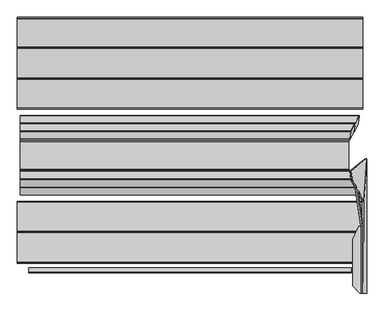
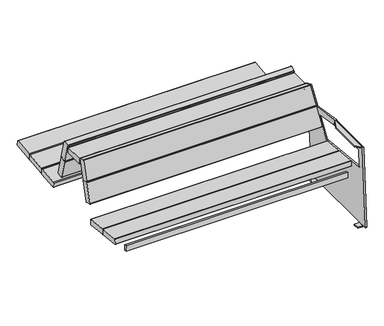
"""IFC4 building model written with IfcOpenShell, lengths in millimetres: furniture geometry."""

from ifc_helpers import new_model, si_unit, point, frame, frame_2d, origin, place, context, project, spatial, polyline, circle_curve, ellipse_curve, trimmed, segment, composite_curve, outline, extrude, source, transform, mapped, element, save
from ifc_brep_helpers import plane_surface, cylinder_surface, revolved_surface, advanced_brep


def furniture_0fb403a6(model_context):
    return source(origin(), model_context, "Body", "SolidModel", [
        advanced_brep(
        [(821.0571971, 511.3265729, 642.5895369), (821.0571971, 514.1240904, 647.506209), (821.0571971, 509.9605815, 662.6625128), (821.0571971, 489.665146, 636.6388712), (-849.4957131, 475.6484569, 632.7883109), (-849.4957131, 470.7317492, 635.5858488), (-849.4957131, 432.4980687, 774.7668691), (-849.4957131, 435.295586, 779.6835409), (-849.4957131, 470.9736937, 789.4847667), (-849.4957131, 475.8904015, 786.687229), (-849.4957131, 514.1240904, 647.506209), (-849.4957131, 511.3265729, 642.5895369), (819.5114246, 475.6484569, 632.7883109), (818.5151551, 470.7317492, 635.5858488), (797.9147478, 432.4980687, 774.7668691), (797.7692162, 435.295586, 779.6835409), (801.7038282, 470.9736937, 789.4847667), (802.7000978, 475.8904015, 786.687229)],
        [
            (0, 1, circle_curve(frame((821.0571971, 510.2669778, 646.4466418), z_axis=(1.0, 0.0, 0.0), x_axis=(0.0, 1.0, 0.0)), 4.0)),
            (1, 2),
            (2, 3),
            (3, 0),
            (4, 5, circle_curve(frame((-849.4957131, 474.5888618, 636.6454158), z_axis=(-1.0, 0.0, 0.0), x_axis=(0.0, 1.0, 0.0)), 4.0)),
            (5, 6),
            (6, 7, circle_curve(frame((-849.4957131, 436.3551813, 775.8264361), z_axis=(-1.0, 0.0, 0.0), x_axis=(0.0, 1.0, 0.0)), 4.0)),
            (7, 8),
            (8, 9, circle_curve(frame((-849.4957131, 472.033289, 785.6276619), z_axis=(-1.0, 0.0, 0.0), x_axis=(0.0, 1.0, 0.0)), 4.0)),
            (9, 10),
            (10, 11, circle_curve(frame((-849.4957131, 510.2669778, 646.4466418), z_axis=(-1.0, 0.0, 0.0), x_axis=(0.0, 1.0, 0.0)), 4.0)),
            (11, 4),
            (4, 12),
            (12, 13, ellipse_curve(frame((818.9405241, 474.5888618, 636.6454158), z_axis=(-0.9845272064646966, 0.1381784067166237, -0.10776320173452672), x_axis=(0.17523178858534885, 0.7763454442639485, -0.6054598016712524)), 4.0628639, 4.0)),
            (13, 5),
            (13, 14),
            (14, 6),
            (14, 15, ellipse_curve(frame((798.3401168, 436.3551813, 775.8264361), z_axis=(-0.9845272064646966, 0.1381784067166237, -0.10776320173452672), x_axis=(0.17523178858534885, 0.7763454442639485, -0.6054598016712524)), 4.0628639, 4.0)),
            (15, 7),
            (15, 16),
            (16, 8),
            (16, 17, ellipse_curve(frame((802.2747288, 472.033289, 785.6276619), z_axis=(-0.9845272064646966, 0.1381784067166237, -0.10776320173452672), x_axis=(0.17523178858534885, 0.7763454442639485, -0.6054598016712524)), 4.0628639, 4.0)),
            (17, 9),
            (17, 2),
            (1, 10),
            (0, 11),
            (3, 12),
        ],
        [
            plane_surface(frame((821.0571971, 511.3265975, 642.5895436), z_axis=(1.0, 0.0, 0.0), x_axis=(0.0, 0.9642762254474659, 0.2648987750760428))),
            plane_surface(frame((-849.4957131, 511.3265975, 642.5895436), z_axis=(-1.0, 0.0, 0.0), x_axis=(0.0, -0.9642762254474659, -0.2648987750760428))),
            cylinder_surface(frame((-849.4957131, 474.5888618, 636.6454158), z_axis=(1.0, 0.0, 0.0), x_axis=(0.0, 1.0, 0.0)), 4.0),
            plane_surface(frame((821.0571971, 432.4980687, 774.7668691), z_axis=(0.0, -0.9642781573688651, -0.2648917424558689), x_axis=(-1.0, 0.0, 0.0))),
            cylinder_surface(frame((-849.4957131, 436.3551813, 775.8264361), z_axis=(1.0, 0.0, 0.0), x_axis=(0.0, 1.0, 0.0)), 4.0),
            plane_surface(frame((821.0571971, 470.9736937, 789.4847667), z_axis=(0.0, -0.2648988265500041, 0.9642762113069215), x_axis=(-1.0, 0.0, 0.0))),
            cylinder_surface(frame((-849.4957131, 472.033289, 785.6276619), z_axis=(1.0, 0.0, 0.0), x_axis=(0.0, 1.0, 0.0)), 4.0),
            plane_surface(frame((821.0571971, 514.1240904, 647.506209), z_axis=(0.0, 0.9642781425237718, 0.2648917964960497), x_axis=(-1.0, 0.0, 0.0))),
            cylinder_surface(frame((-849.4957131, 510.2669778, 646.4466418), z_axis=(1.0, 0.0, 0.0), x_axis=(0.0, 1.0, 0.0)), 4.0),
            plane_surface(frame((821.0571971, 475.6484569, 632.7883109), z_axis=(0.0, 0.2648987750760428, -0.9642762254474659), x_axis=(-1.0, 0.0, 0.0))),
            plane_surface(frame((792.9247328, 409.2460037, 790.5410131), z_axis=(0.9845272064646966, -0.1381784067166237, 0.10776320173452672), x_axis=(0.10213209083076619, 0.95220597361255, 0.28787639680792154))),
        ],
        [
            (0, [[1, 2, 3, 4]]),
            (1, [[5, 6, 7, 8, 9, 10, 11, 12]]),
            (2, [[-5, 13, 14, 15]]),
            (3, [[-6, -15, 16, 17]]),
            (4, [[-7, -17, 18, 19]]),
            (5, [[-8, -19, 20, 21]]),
            (6, [[-9, -21, 22, 23]]),
            (7, [[-10, -23, 24, -2, 25]]),
            (8, [[-1, 26, -11, -25]]),
            (9, [[-12, -26, -4, 27, -13]]),
            (10, [[-3, -24, -22, -20, -18, -16, -14, -27]]),
        ],
    ),
        advanced_brep(
        [(-849.4957131, 515.8225178, 486.5435624), (-849.4957131, 510.90581, 489.3411004), (-849.4957131, 472.8508286, 627.8716075), (-849.4957131, 475.6483459, 632.7882793), (-849.4957131, 511.3264532, 642.589505), (-849.4957131, 516.2431611, 639.7919674), (-849.4957131, 554.2981509, 501.2614604), (-849.4957131, 551.5006334, 496.3447884), (841.1573374, 515.8225178, 486.5435624), (840.1610678, 510.90581, 489.3411004), (819.6569441, 472.8508286, 627.8716075), (819.5114125, 475.6483459, 632.7882793), (823.4460245, 511.3264532, 642.589505), (824.442294, 516.2431611, 639.7919674), (844.946419, 554.2981509, 501.2614604), (845.0919506, 551.5006334, 496.3447884)],
        [
            (0, 1, circle_curve(frame((-849.4957131, 514.7629227, 490.4006673), z_axis=(-1.0, 0.0, 0.0), x_axis=(0.0, 1.0, 0.0)), 4.0)),
            (1, 2),
            (2, 3, circle_curve(frame((-849.4957131, 476.7079412, 628.9311745), z_axis=(-1.0, 0.0, 0.0), x_axis=(0.0, 1.0, 0.0)), 4.0)),
            (3, 4),
            (4, 5, circle_curve(frame((-849.4957131, 512.3860486, 638.7324002), z_axis=(-1.0, 0.0, 0.0), x_axis=(0.0, 1.0, 0.0)), 4.0)),
            (5, 6),
            (6, 7, circle_curve(frame((-849.4957131, 550.4410383, 500.2018933), z_axis=(-1.0, 0.0, 0.0), x_axis=(0.0, 1.0, 0.0)), 4.0)),
            (7, 0),
            (0, 8),
            (8, 9, ellipse_curve(frame((840.5864368, 514.7629227, 490.4006673), z_axis=(-0.9845272064646966, 0.1381784067166237, -0.10776320173452672), x_axis=(0.17523178858534885, 0.7763454442639485, -0.6054598016712524)), 4.0628639, 4.0)),
            (9, 1),
            (9, 10),
            (10, 2),
            (10, 11, ellipse_curve(frame((820.0823131, 476.7079412, 628.9311745), z_axis=(-0.9845272064646966, 0.1381784067166237, -0.10776320173452672), x_axis=(0.17523178858534885, 0.7763454442639485, -0.6054598016712524)), 4.0628639, 4.0)),
            (11, 3),
            (11, 12),
            (12, 4),
            (12, 13, ellipse_curve(frame((824.0169251, 512.3860486, 638.7324002), z_axis=(-0.9845272064646966, 0.1381784067166237, -0.10776320173452672), x_axis=(0.17523178858534885, 0.7763454442639485, -0.6054598016712524)), 4.0628639, 4.0)),
            (13, 5),
            (13, 14),
            (14, 6),
            (14, 15, ellipse_curve(frame((844.52105, 550.4410383, 500.2018933), z_axis=(-0.9845272064646966, 0.1381784067166237, -0.10776320173452672), x_axis=(0.17523178858534885, 0.7763454442639485, -0.6054598016712524)), 4.0628639, 4.0)),
            (15, 7),
            (15, 8),
        ],
        [
            plane_surface(frame((-849.4957131, 551.5006208, 496.3447849), z_axis=(-1.0, 0.0, 0.0), x_axis=(0.0, -0.964276225447465, -0.26489877507604587))),
            cylinder_surface(frame((-849.4957131, 514.7629227, 490.4006673), z_axis=(1.0, 0.0, 0.0), x_axis=(0.0, 1.0, 0.0)), 4.0),
            plane_surface(frame((845.3239935, 472.8508286, 627.8716075), z_axis=(0.0, -0.9642781573688654, -0.2648917424558683), x_axis=(-1.0, 0.0, 0.0))),
            cylinder_surface(frame((-849.4957131, 476.7079412, 628.9311745), z_axis=(1.0, 0.0, 0.0), x_axis=(0.0, 1.0, 0.0)), 4.0),
            plane_surface(frame((845.3239935, 511.3264532, 642.589505), z_axis=(0.0, -0.2648988265500034, 0.9642762113069218), x_axis=(-1.0, 0.0, 0.0))),
            cylinder_surface(frame((-849.4957131, 512.3860486, 638.7324002), z_axis=(1.0, 0.0, 0.0), x_axis=(0.0, 1.0, 0.0)), 4.0),
            plane_surface(frame((845.3239935, 554.2981509, 501.2614604), z_axis=(0.0, 0.9642781425237719, 0.26489179649604944), x_axis=(-1.0, 0.0, 0.0))),
            cylinder_surface(frame((-849.4957131, 550.4410383, 500.2018933), z_axis=(1.0, 0.0, 0.0), x_axis=(0.0, 1.0, 0.0)), 4.0),
            plane_surface(frame((845.3239935, 515.8225178, 486.5435624), z_axis=(0.0, 0.26489877507604587, -0.964276225447465), x_axis=(-1.0, 0.0, 0.0))),
            plane_surface(frame((792.9247328, 409.2460037, 790.5410131), z_axis=(0.9845272064646966, -0.1381784067166237, 0.10776320173452672), x_axis=(0.10213209083076619, 0.95220597361255, 0.28787639680792154))),
        ],
        [
            (0, [[1, 2, 3, 4, 5, 6, 7, 8]]),
            (1, [[-1, 9, 10, 11]]),
            (2, [[-2, -11, 12, 13]]),
            (3, [[-3, -13, 14, 15]]),
            (4, [[-4, -15, 16, 17]]),
            (5, [[-5, -17, 18, 19]]),
            (6, [[-6, -19, 20, 21]]),
            (7, [[-7, -21, 22, 23]]),
            (8, [[-8, -23, 24, -9]]),
            (9, [[-10, -24, -22, -20, -18, -16, -14, -12]]),
        ],
    ),
        extrude(outline(polyline([(0.0, -19.9999999), (0.0, 0.0), (1612.8148813, 0.0), (1612.8148813, -19.9999999), (0.0, -19.9999999)])), frame((806.271869, 708.9963741, 329.0549245), z_axis=(0.0, -0.10862274800818948, 0.9940830441241564), x_axis=(-1.0, 0.0, 0.0)), (0.0, 0.0, 1.0), 40.0),
        extrude(outline(polyline([(0.0, -20.0), (0.0, 0.0), (1612.8148813, 0.0), (1612.8148813, -20.0), (0.0, -20.0)])), frame((806.271869, 923.2070815, 352.4615763), z_axis=(0.0, -0.10862274800818948, 0.9940830441241564), x_axis=(-1.0, 0.0, 0.0)), (0.0, 0.0, 1.0), 40.0),
        extrude(outline(composite_curve([segment(trimmed(circle_curve(frame_2d((591.158367, 402.3317688)), 4.0), [point((587.181957, 401.8979912))], [point((590.7245263, 406.308172))], False, "CARTESIAN"), True, "CONTINUOUS"), segment(polyline([(590.7245263, 406.308172), (733.6827839, 421.9054614)]), True, "CONTINUOUS"), segment(trimmed(circle_curve(frame_2d((734.1166246, 417.9290582)), 4.0), [point((733.6827839, 421.9054614))], [point((738.0930346, 418.3628359))], False, "CARTESIAN"), True, "CONTINUOUS"), segment(polyline([(738.0930346, 418.3628359), (741.6815989, 385.4667103)]), True, "CONTINUOUS"), segment(trimmed(circle_curve(frame_2d((737.7051889, 385.0329326)), 4.0), [point((741.6815989, 385.4667103))], [point((738.1389665, 381.0565226))], False, "CARTESIAN"), True, "CONTINUOUS"), segment(polyline([(738.1389665, 381.0565226), (595.1804616, 365.461501)]), True, "CONTINUOUS"), segment(trimmed(circle_curve(frame_2d((594.7466839, 369.4379111)), 4.0), [point((595.1804616, 365.461501))], [point((590.7702739, 369.0041334))], False, "CARTESIAN"), True, "CONTINUOUS"), segment(polyline([(590.7702739, 369.0041334), (587.181957, 401.8979912)]), True, "CONTINUOUS")], self_intersect=False)), frame((-862.974681, 0.0, 0.0), z_axis=(1.0, 0.0, 0.0), x_axis=(0.0, 1.0, 0.0)), (0.0, 0.0, 1.0), 1726.4316686),
        extrude(outline(composite_curve([segment(trimmed(circle_curve(frame_2d((742.0694309, 418.7967396)), 4.0), [point((738.0930209, 418.362962))], [point((741.6355902, 422.7731428))], False, "CARTESIAN"), True, "CONTINUOUS"), segment(polyline([(741.6355902, 422.7731428), (888.3456792, 438.7797713)]), True, "CONTINUOUS"), segment(trimmed(circle_curve(frame_2d((888.7795199, 434.8033681)), 4.0), [point((888.3456792, 438.7797713))], [point((892.7559299, 435.2371458))], False, "CARTESIAN"), True, "CONTINUOUS"), segment(polyline([(892.7559299, 435.2371458), (896.3447545, 402.3386345)]), True, "CONTINUOUS"), segment(trimmed(circle_curve(frame_2d((892.3683444, 401.9048569)), 4.0), [point((896.3447545, 402.3386345))], [point((892.8021221, 397.9284468))], False, "CARTESIAN"), True, "CONTINUOUS"), segment(polyline([(892.8021221, 397.9284468), (746.0917792, 381.9241457)]), True, "CONTINUOUS"), segment(trimmed(circle_curve(frame_2d((745.6580016, 385.9005557)), 4.0), [point((746.0917792, 381.9241457))], [point((741.6815915, 385.4667781))], False, "CARTESIAN"), True, "CONTINUOUS"), segment(polyline([(741.6815915, 385.4667781), (738.0930209, 418.362962)]), True, "CONTINUOUS")], self_intersect=False)), frame((-862.974681, 0.0, 0.0), z_axis=(1.0, 0.0, 0.0), x_axis=(0.0, 1.0, 0.0)), (0.0, 0.0, 1.0), 1726.4316686),
        extrude(outline(composite_curve([segment(trimmed(circle_curve(frame_2d((896.7323262, 435.6710496)), 4.0), [point((892.7559162, 435.2372719))], [point((896.2984855, 439.6474527))], False, "CARTESIAN"), True, "CONTINUOUS"), segment(polyline([(896.2984855, 439.6474527), (1036.8835263, 454.9858152)]), True, "CONTINUOUS"), segment(trimmed(circle_curve(frame_2d((1037.317367, 451.009412)), 4.0), [point((1036.8835263, 454.9858152))], [point((1041.2937771, 451.4431896))], False, "CARTESIAN"), True, "CONTINUOUS"), segment(polyline([(1041.2937771, 451.4431896), (1044.8828472, 418.542427)]), True, "CONTINUOUS"), segment(trimmed(circle_curve(frame_2d((1040.9064372, 418.1086494)), 4.0), [point((1044.8828472, 418.542427))], [point((1041.3402148, 414.1322393))], False, "CARTESIAN"), True, "CONTINUOUS"), segment(polyline([(1041.3402148, 414.1322393), (900.7549307, 398.7961071)]), True, "CONTINUOUS"), segment(trimmed(circle_curve(frame_2d((900.3211531, 402.7725171)), 4.0), [point((900.7549307, 398.7961071))], [point((896.344743, 402.3387395))], False, "CARTESIAN"), True, "CONTINUOUS"), segment(polyline([(896.344743, 402.3387395), (892.7559162, 435.2372719)]), True, "CONTINUOUS")], self_intersect=False)), frame((-862.974681, 0.0, 0.0), z_axis=(1.0, 0.0, 0.0), x_axis=(0.0, 1.0, 0.0)), (0.0, 0.0, 1.0), 1726.4316686),
        advanced_brep(
        [(859.6494877, -336.3224978, 634.6042367), (853.6895812, -336.3224978, 640.3596516), (851.4436279, -336.3224978, 640.3596516), (846.5946295, -336.3224978, 640.3596516), (846.5946295, -336.3224978, 632.2382321), (850.2766357, -336.3224978, 632.2382321), (851.7778593, -336.3224978, 630.7885173), (873.3168867, -336.3224978, 13.9914716), (881.3120133, -336.3224978, 14.2706676), (851.7778593, 0.0, 630.7885173), (850.2766357, 0.0, 632.2382321), (842.6377771, 0.0, 632.2382321), (842.6377771, 0.0, 640.3596516), (851.4436279, 0.0, 640.3596516), (853.6895812, 0.0, 640.3596516), (859.6494877, 0.0, 634.6042367), (859.8164077, 0.0, 629.8242748), (851.8212811, 0.0, 629.5450788), (812.6404131, -298.6125202, 632.2382321), (812.6404131, -64.9029098, 632.2382321), (812.6404131, -298.6125202, 640.3596516), (812.6404131, -64.9029098, 640.3596516), (881.4516113, -332.3224978, 10.2731042), (881.4516113, -303.3438949, 10.2731042), (881.4516113, -263.3438949, 10.2731042), (881.4516113, 263.3438949, 10.2731042), (881.4516113, 303.3438949, 10.2731042), (881.4516113, 333.3438949, 10.2731042), (881.4138659, 336.0793859, 11.3539925), (867.5075955, 124.5938136, 409.5774734), (865.9556261, -281.1025506, 454.0200604), (865.8167736, -284.6669706, 457.9962761), (861.3419594, -284.6668873, 586.1381898), (861.2022765, -280.671368, 590.1381847), (861.1901816, 28.5190326, 590.4845362), (859.8164077, 7.626776, 629.8242748), (851.8212811, 7.626776, 629.5450788), (853.1853111, 28.3708474, 590.4843702), (853.1974001, -280.671368, 590.1381847), (853.337083, -284.6668873, 586.1381898), (857.8118973, -284.6669706, 457.9962761), (857.9507498, -281.1025506, 454.0200604), (859.5021169, 124.4363813, 409.5947195), (873.4187392, 336.0793859, 11.0747965), (873.4564847, 333.3438949, 9.9939083), (873.4564847, 303.3438949, 9.9939083), (873.4886988, 303.3438949, 9.0714168), (873.4886988, 263.3438949, 9.0714168), (873.4564847, 263.3438949, 9.9939083), (873.4564847, -263.3438949, 9.9939083), (873.4886988, -263.3438949, 9.0714168), (873.4886988, -303.3438949, 9.0714168), (873.4564847, -303.3438949, 9.9939083), (873.4564847, -332.3224978, 9.9939083), (872.4540437, -303.3438949, 8.0), (835.810356, -303.3438949, 8.0), (835.810356, -303.3438949, 0.0), (873.5140122, -303.3438949, 0.0), (881.4516113, -303.3438949, 8.2703475), (872.4540437, -263.3438949, 8.0), (881.4516113, -263.3438949, 8.2703475), (873.5140122, -263.3438949, 0.0), (835.810356, -263.3438949, 0.0), (835.810356, -263.3438949, 8.0), (872.4540437, 303.3438949, 8.0), (881.4516113, 303.3438949, 8.2703475), (873.5140122, 303.3438949, 0.0), (835.810356, 303.3438949, 0.0), (835.810356, 303.3438949, 8.0), (872.4540437, 263.3438949, 8.0), (835.810356, 263.3438949, 8.0), (835.810356, 263.3438949, 0.0), (873.5140122, 263.3438949, 0.0), (881.4516113, 263.3438949, 8.2703475)],
        [
            (0, 1, circle_curve(frame((853.6895812, -336.3224978, 634.3961122), z_axis=(0.0, -1.0, 0.0), x_axis=(-1.0, 0.0, 0.0)), 5.9635394)),
            (1, 2),
            (2, 3),
            (3, 4),
            (4, 5),
            (5, 6, circle_curve(frame((850.2766357, -336.3224978, 630.7360934), z_axis=(0.0, 1.0, 0.0), x_axis=(-1.0, 0.0, 0.0)), 1.5021387)),
            (6, 7),
            (7, 8),
            (8, 0),
            (9, 10, circle_curve(frame((850.2766357, 0.0, 630.7360934), z_axis=(0.0, -1.0, 0.0), x_axis=(-1.0, 0.0, 0.0)), 1.5021387)),
            (10, 11),
            (11, 12),
            (12, 13),
            (13, 14),
            (14, 15, circle_curve(frame((853.6895812, 0.0, 634.3961122), z_axis=(0.0, 1.0, 0.0), x_axis=(-1.0, 0.0, 0.0)), 5.9635394)),
            (15, 16),
            (16, 17),
            (17, 9),
            (10, 5),
            (4, 18),
            (18, 19),
            (19, 11),
            (18, 20),
            (20, 21),
            (21, 19),
            (2, 13),
            (12, 21),
            (20, 3),
            (1, 14),
            (15, 0),
            (8, 22, circle_curve(frame((881.3120133, -332.3224978, 14.2706676), z_axis=(0.9993908270190959, 0.0, 0.0348994967025008), x_axis=(0.0348994967025008, 0.0, -0.9993908270190959)), 4.0)),
            (22, 23),
            (23, 24),
            (24, 25),
            (25, 26),
            (26, 27),
            (27, 28, circle_curve(frame((881.3120088, 333.3438949, 14.2707962), z_axis=(0.9993908270190959, 0.0, 0.0348994967025008), x_axis=(0.0348994967025008, 0.0, -0.9993908270190959)), 4.0001287)),
            (28, 29),
            (29, 30),
            (30, 31, ellipse_curve(frame((865.8167737, -280.6669706, 457.9962735), z_axis=(-0.9993908270190961, 0.0, -0.03489949670249125), x_axis=(-0.03489949670248915, 0.0, 0.9993908270190963)), 4.0024382, 4.0)),
            (31, 32),
            (32, 33, ellipse_curve(frame((861.3419595, -280.6668873, 586.1381872), z_axis=(-0.9993908270190961, 0.0, -0.03489949670249125), x_axis=(-0.03489949670248915, 0.0, 0.9993908270190963)), 4.0024382, 4.0)),
            (33, 34),
            (34, 35),
            (35, 16),
            (6, 9),
            (17, 36),
            (36, 37),
            (37, 38),
            (38, 39, ellipse_curve(frame((853.3370831, -280.6668873, 586.1381872), z_axis=(0.9993908270190955, 0.0, 0.03489949670250719), x_axis=(-0.03489949670250501, 0.0, 0.9993908270190955)), 4.0024382, 4.0)),
            (39, 40),
            (40, 41, ellipse_curve(frame((857.8118974, -280.6669706, 457.9962735), z_axis=(0.9993908270190955, 0.0, 0.03489949670250719), x_axis=(-0.03489949670250501, 0.0, 0.9993908270190955)), 4.0024382, 4.0)),
            (41, 42),
            (42, 43),
            (43, 44, circle_curve(frame((873.3168822, 333.3438949, 13.9916002), z_axis=(-0.9993908270190959, 0.0, -0.0348994967025008), x_axis=(0.0348994967025008, 0.0, -0.9993908270190959)), 4.0001287)),
            (44, 45),
            (45, 46),
            (46, 47),
            (47, 48),
            (48, 49),
            (49, 50),
            (50, 51),
            (51, 52),
            (52, 53),
            (53, 7, circle_curve(frame((873.3168867, -332.3224978, 13.9914716), z_axis=(-0.9993908270190959, 0.0, -0.0348994967025008), x_axis=(0.0348994967025008, 0.0, -0.9993908270190959)), 4.0)),
            (28, 43),
            (42, 29),
            (36, 35),
            (34, 37),
            (27, 44),
            (26, 45),
            (22, 53),
            (52, 23),
            (24, 49),
            (48, 25),
            (54, 55),
            (55, 56),
            (56, 57),
            (57, 58, circle_curve(frame((873.1742893, -303.3438949, 8.2703475), z_axis=(0.0, -1.0, 0.0), x_axis=(-1.0, 0.0, 0.0)), 8.277322)),
            (58, 23),
            (51, 54, circle_curve(frame((872.4540437, -303.3438949, 9.0352858), z_axis=(0.0, 1.0, 0.0), x_axis=(-1.0, 0.0, 0.0)), 1.0352858)),
            (59, 50, circle_curve(frame((872.4540437, -263.3438949, 9.0352858), z_axis=(0.0, -1.0, 0.0), x_axis=(-1.0, 0.0, 0.0)), 1.0352858)),
            (24, 60),
            (60, 61, circle_curve(frame((873.1742893, -263.3438949, 8.2703475), z_axis=(0.0, 1.0, 0.0), x_axis=(-1.0, 0.0, 0.0)), 8.277322)),
            (61, 62),
            (62, 63),
            (63, 59),
            (59, 54),
            (56, 62),
            (61, 57),
            (55, 63),
            (58, 60),
            (64, 46, circle_curve(frame((872.4540437, 303.3438949, 9.0352858), z_axis=(0.0, -1.0, 0.0), x_axis=(-1.0, 0.0, 0.0)), 1.0352858)),
            (26, 65),
            (65, 66, circle_curve(frame((873.1742893, 303.3438949, 8.2703475), z_axis=(0.0, 1.0, 0.0), x_axis=(-1.0, 0.0, 0.0)), 8.277322)),
            (66, 67),
            (67, 68),
            (68, 64),
            (69, 70),
            (70, 71),
            (71, 72),
            (72, 73, circle_curve(frame((873.1742893, 263.3438949, 8.2703475), z_axis=(0.0, -1.0, 0.0), x_axis=(-1.0, 0.0, 0.0)), 8.277322)),
            (73, 25),
            (47, 69, circle_curve(frame((872.4540437, 263.3438949, 9.0352858), z_axis=(0.0, 1.0, 0.0), x_axis=(-1.0, 0.0, 0.0)), 1.0352858)),
            (64, 69),
            (66, 72),
            (71, 67),
            (70, 68),
            (73, 65),
            (33, 38),
            (32, 39),
            (31, 40),
            (30, 41),
        ],
        [
            plane_surface(frame((847.7260418, -336.3224978, 634.3961122), z_axis=(0.0, -1.0, 0.0), x_axis=(0.0, 0.0, -1.0))),
            plane_surface(frame((847.7260418, 0.0, 634.3961122), z_axis=(0.0, 1.0, 0.0), x_axis=(0.0, 0.0, 1.0))),
            plane_surface(frame((812.6404131, -336.3224978, 632.2382321), z_axis=(0.0, 0.0, -1.0), x_axis=(0.0, 1.0, 0.0))),
            plane_surface(frame((812.6404131, -336.3224978, 640.3596516), z_axis=(-1.0, 0.0, 0.0), x_axis=(0.0, 1.0, 0.0))),
            plane_surface(frame((851.4436279, -336.3224978, 640.3596516), z_axis=(0.0, 0.0, 1.0), x_axis=(0.0, 1.0, 0.0))),
            plane_surface(frame((853.6895812, -336.3224978, 640.3596516), z_axis=(0.0, 0.0, 1.0), x_axis=(0.0, 1.0, 0.0))),
            plane_surface(frame((859.8862566, -336.3224978, 627.8240627), z_axis=(0.9993908270190961, 0.0, 0.03489949670249125), x_axis=(0.0, 1.0, 0.0))),
            cylinder_surface(frame((853.6895812, 0.0, 634.3961122), z_axis=(0.0, -1.0, 0.0), x_axis=(-1.0, 0.0, 0.0)), 5.9635394),
            plane_surface(frame((851.7778593, -336.3224978, 630.7885173), z_axis=(-0.9993908270190955, 0.0, -0.03489949670250719), x_axis=(0.0, 1.0, 0.0))),
            revolved_surface(polyline([(848.774497, 0.0, 630.7360934), (848.774497, -336.3224978, 630.7360934)]), (850.2766357, 0.0, 630.7360934), (0.0, 1.0, 0.0)),
            plane_surface(frame((842.6377771, 0.0, 616.5713791), z_axis=(-0.9077348201474655, 0.419544391324504, 0.0), x_axis=(0.0, 0.0, 1.0))),
            plane_surface(frame((812.6352383, -298.6067729, 616.5713791), z_axis=(-0.7431448254773966, -0.6691306063588557, 0.0), x_axis=(0.0, 0.0, 1.0))),
            plane_surface(frame((881.4138659, 336.0793859, 11.3539925), z_axis=(-0.01636123681982897, 0.8832989769010681, 0.46852452159438995), x_axis=(-0.9993908270190958, 0.0, -0.034899496702500754))),
            cylinder_surface(frame((873.3168822, 333.3438949, 13.9916002), z_axis=(0.9993908270190959, 0.0, 0.0348994967025008), x_axis=(0.0348994967025008, 0.0, -0.9993908270190959)), 4.0001287),
            plane_surface(frame((881.4516113, -332.3224978, 10.2731042), z_axis=(0.034899496702500754, 0.0, -0.9993908270190958), x_axis=(-0.9993908270190958, 0.0, -0.034899496702500754))),
            cylinder_surface(frame((873.3168867, -332.3224978, 13.9914716), z_axis=(0.9993908270190959, 0.0, 0.0348994967025008), x_axis=(0.0348994967025008, 0.0, -0.9993908270190959)), 4.0),
            plane_surface(frame((859.8164077, 7.626776, 629.8242748), z_axis=(-0.034899496702506035, 0.0, 0.9993908270190955), x_axis=(-0.9993908270190955, 0.0, -0.034899496702506035))),
            plane_surface(frame((835.810356, -303.3438949, 8.0), z_axis=(0.0, -1.0, 0.0), x_axis=(-1.0, 0.0, 0.0))),
            plane_surface(frame((835.810356, -263.3438949, 8.0), z_axis=(0.0, 1.0, 0.0), x_axis=(1.0, 0.0, 0.0))),
            revolved_surface(polyline([(871.4187579000001, -263.3438949, 9.0352858), (871.4187579000001, -303.3438949, 9.0352858)]), (872.4540437, -263.3438949, 9.0352858), (0.0, 1.0, 0.0)),
            plane_surface(frame((835.810356, -303.3438949, 0.0), z_axis=(0.0, 0.0, -1.0), x_axis=(0.0, 1.0, 0.0))),
            plane_surface(frame((835.810356, -303.3438949, 8.0), z_axis=(-1.0, 0.0, 0.0), x_axis=(0.0, 1.0, 0.0))),
            plane_surface(frame((872.4540437, -303.3438949, 8.0), z_axis=(0.0, 0.0, 1.0), x_axis=(0.0, 1.0, 0.0))),
            plane_surface(frame((881.4516113, -303.3438949, 8.2703475), z_axis=(1.0, 0.0, 0.0), x_axis=(0.0, 1.0, 0.0))),
            cylinder_surface(frame((873.1742893, -263.3438949, 8.2703475), z_axis=(0.0, -1.0, 0.0), x_axis=(-1.0, 0.0, 0.0)), 8.277322),
            plane_surface(frame((871.4187578, 303.3438949, 9.0352858), z_axis=(0.0, 1.0, 0.0), x_axis=(0.0, 0.0, -1.0))),
            plane_surface(frame((871.4187578, 263.3438949, 9.0352858), z_axis=(0.0, -1.0, 0.0), x_axis=(0.0, 0.0, 1.0))),
            revolved_surface(polyline([(871.4187579000001, 263.3438949, 9.0352858), (871.4187579000001, 303.3438949, 9.0352858)]), (872.4540437, 263.3438949, 9.0352858), (0.0, -1.0, 0.0)),
            plane_surface(frame((873.5140122, 303.3438949, 0.0), z_axis=(0.0, 0.0, -1.0), x_axis=(0.0, -1.0, 0.0))),
            plane_surface(frame((835.810356, 303.3438949, 0.0), z_axis=(-1.0, 0.0, 0.0), x_axis=(0.0, -1.0, 0.0))),
            plane_surface(frame((835.810356, 303.3438949, 8.0), z_axis=(0.0, 0.0, 1.0), x_axis=(0.0, -1.0, 0.0))),
            plane_surface(frame((881.4516113, 303.3438949, 10.2731042), z_axis=(1.0, 0.0, 0.0), x_axis=(0.0, -1.0, 0.0))),
            cylinder_surface(frame((873.1742893, 263.3438949, 8.2703475), z_axis=(0.0, 1.0, 0.0), x_axis=(-1.0, 0.0, 0.0)), 8.277322),
            plane_surface(frame((812.6404131, -280.671368, 590.1381847), z_axis=(0.0, 0.0011201877232388624, -0.9999993725895355), x_axis=(1.0, 0.0, 0.0))),
            revolved_surface(polyline([(853.1974000212371, -284.6668873, 586.1381872), (861.4816425787628, -284.6668873, 586.1381872)]), (919.9232064, -280.6668873, 586.1381872), (-1.0, 0.0, 0.0)),
            plane_surface(frame((812.6404131, -284.6669706, 457.9962761), z_axis=(0.0, 0.9999999999997885, -6.504329964730784e-07), x_axis=(1.0, 0.0, 0.0))),
            revolved_surface(polyline([(857.6722143212371, -284.6669706, 457.9962735), (865.9564567787628, -284.6669706, 457.9962735)]), (919.9232064, -280.6669706, 457.9962735), (-1.0, 0.0, 0.0)),
            plane_surface(frame((812.6404131, 124.8590494, 409.5484177), z_axis=(0.0, 0.10889498268372896, 0.994053259511939), x_axis=(1.0, 0.0, 0.0))),
        ],
        [
            (0, [[1, 2, 3, 4, 5, 6, 7, 8, 9]]),
            (1, [[10, 11, 12, 13, 14, 15, 16, 17, 18]]),
            (2, [[19, -5, 20, 21, 22, -11]]),
            (3, [[-21, 23, 24, 25]]),
            (4, [[26, -13, 27, -24, 28, -3]]),
            (5, [[-2, 29, -14, -26]]),
            (6, [[30, -9, 31, 32, 33, 34, 35, 36, 37, 38, 39, 40, 41, 42, 43, 44, 45, -16]]),
            (7, [[-1, -30, -15, -29]]),
            (8, [[46, -18, 47, 48, 49, 50, 51, 52, 53, 54, 55, 56, 57, 58, 59, 60, 61, 62, 63, 64, 65, -7]]),
            (9, [[-6, -19, -10, -46]]),
            (10, [[-12, -22, -25, -27]]),
            (11, [[-4, -28, -23, -20]]),
            (12, [[66, -54, 67, -38]]),
            (12, [[68, -44, 69, -48]]),
            (13, [[-37, 70, -55, -66]]),
            (14, [[-70, -36, 71, -56]]),
            (14, [[72, -64, 73, -32]]),
            (14, [[74, -60, 75, -34]]),
            (15, [[-31, -8, -65, -72]]),
            (16, [[-68, -47, -17, -45]]),
            (17, [[76, 77, 78, 79, 80, -73, -63, 81]]),
            (18, [[82, -61, -74, 83, 84, 85, 86, 87]]),
            (19, [[-81, -62, -82, 88]]),
            (20, [[-78, 89, -85, 90]]),
            (21, [[-77, 91, -86, -89]]),
            (22, [[-76, -88, -87, -91]]),
            (23, [[-80, 92, -83, -33]]),
            (24, [[-79, -90, -84, -92]]),
            (25, [[93, -57, -71, 94, 95, 96, 97, 98]]),
            (26, [[99, 100, 101, 102, 103, -75, -59, 104]]),
            (27, [[-93, 105, -104, -58]]),
            (28, [[-96, 106, -101, 107]]),
            (29, [[-97, -107, -100, 108]]),
            (30, [[-98, -108, -99, -105]]),
            (31, [[-94, -35, -103, 109]]),
            (32, [[-95, -109, -102, -106]]),
            (33, [[110, -49, -69, -43]]),
            (34, [[-110, -42, 111, -50]]),
            (35, [[-111, -41, 112, -51]]),
            (36, [[-112, -40, 113, -52]]),
            (37, [[-113, -39, -67, -53]]),
        ],
    ),
        advanced_brep(
        [(791.2328587, 205.1005271, 503.3842593), (783.301588, 206.9046912, 509.9877088), (747.1427984, 272.5788357, 749.0639533), (755.0440225, 275.0158862, 757.8881152), (800.2290396, 275.0977695, 757.9536062), (837.8982285, 205.1850931, 503.4518959), (755.0563553, 266.2922205, 760.2863677), (747.1551312, 263.8551701, 751.4622058), (783.3139208, 198.1810256, 512.3859614), (791.2451915, 196.3768615, 505.7825119), (838.8596981, 196.4631475, 505.8515241), (801.1905091, 266.3758239, 760.3532344), (880.8633489, 337.9713039, 14.8944279), (806.2060941, 277.1577, 774.9426086), (806.2223905, 274.267721, 778.499374), (810.120629, 238.2446052, 789.0752934), (811.1014693, 233.3654515, 786.3705641), (832.2804167, 194.0587936, 643.2798026), (833.1217155, 190.2995977, 640.4138721), (859.5577941, 1.98384, 640.3594265), (861.2994828, 28.470929, 590.4844823), (840.7791117, 174.5518534, 590.6481205), (840.7909312, 178.4134646, 585.5886209), (866.2037222, 131.2504543, 413.8911008), (867.5760922, 124.8590494, 409.5484177), (867.61676, 124.5422214, 409.5831251), (881.5280215, 336.1005897, 11.2206695), (872.9871313, 336.8658767, 14.0323223), (873.6518039, 334.9951625, 10.3585639), (859.704087, 122.8823921, 409.7649535), (859.4503645, 124.8590494, 409.5484177), (858.0779945, 131.2504543, 413.8911008), (832.6652035, 178.4134646, 585.5886209), (832.653384, 174.5518534, 590.6481205), (853.3932206, 26.9085927, 590.4827322), (851.6815764, 0.8784127, 639.4973209), (825.2454978, 189.1941704, 639.5517666), (824.4041991, 192.9533663, 642.417697), (803.2252516, 232.2600242, 785.5084585), (802.2444113, 237.139178, 788.2131877), (798.3461729, 273.1622937, 777.6372684), (798.3298764, 276.0522727, 774.080503)],
        [
            (0, 1, circle_curve(frame((791.2178354, 207.2211344, 511.098065), z_axis=(-0.0013631459484884575, 0.9642258427672699, -0.26507860338562134), x_axis=(-0.14431455675225047, 0.2621142782788855, 0.9541852093968658)), 8.0)),
            (1, 2),
            (2, 3, circle_curve(frame((755.0590458, 272.8952788, 750.1743095), z_axis=(-0.0013631459484884575, 0.9642258427672699, -0.26507860338562134), x_axis=(-0.14431455675225047, 0.2621142782788855, 0.9541852093968658)), 8.0)),
            (3, 4),
            (4, 5),
            (5, 0),
            (6, 7, circle_curve(frame((755.0713786, 264.1716132, 752.572562), z_axis=(0.0013631459484884575, -0.9642258427672699, 0.26507860338562134), x_axis=(-0.14431455675225047, 0.2621142782788855, 0.9541852093968658)), 8.0)),
            (7, 8),
            (8, 9, circle_curve(frame((791.2301682, 198.4974688, 513.4963176), z_axis=(0.0013631459484884575, -0.9642258427672699, 0.26507860338562134), x_axis=(-0.14431455675225047, 0.2621142782788855, 0.9541852093968658)), 8.0)),
            (9, 10),
            (10, 11),
            (11, 6),
            (2, 7),
            (6, 3),
            (1, 8),
            (0, 9),
            (5, 10),
            (11, 4),
            (12, 13),
            (13, 14, circle_curve(frame((806.788641, 273.2088149, 774.683869), z_axis=(0.9845272064646956, 0.13817840671662612, 0.10776320173453142), x_axis=(0.10809843818608307, 0.005098251508800454, -0.9941271224009949)), 4.0)),
            (14, 15),
            (15, 16, circle_curve(frame((810.6868794, 237.1856992, 785.2597883), z_axis=(0.9845272064646956, 0.13817840671662612, 0.10776320173453142), x_axis=(0.10809843818608307, 0.005098251508800454, -0.9941271224009949)), 4.0)),
            (16, 17),
            (17, 18, circle_curve(frame((832.6950066, 190.2385459, 644.3905783), z_axis=(-0.9845272064646956, -0.13817840671662612, -0.10776320173453142), x_axis=(0.10809843818608307, 0.005098251508800454, -0.9941271224009949)), 4.0)),
            (18, 19),
            (19, 20),
            (20, 21),
            (21, 22, ellipse_curve(frame((841.2163098, 174.5563342, 586.648123), z_axis=(-0.9845272064646957, -0.13817840671662623, -0.10776320173453156), x_axis=(-0.17523178858535401, 0.7763454442639399, 0.6054598016712619)), 4.0628639, 4.0)),
            (22, 23),
            (23, 24, ellipse_curve(frame((866.8370673, 125.5075832, 415.4685906), z_axis=(-0.9845272064646957, -0.13817840671662623, -0.10776320173453156), x_axis=(-0.17523178858535401, 0.7763454442639399, 0.6054598016712619)), 6.049187, 5.9555892)),
            (24, 25),
            (25, 26),
            (26, 12, circle_curve(frame((881.4454916, 334.025159, 14.6358678), z_axis=(0.9845272064646956, 0.13817840671662612, 0.10776320173453142), x_axis=(0.10809843818608307, 0.005098251508800454, -0.9941271224009949)), 3.9972244)),
            (27, 28, circle_curve(frame((873.5692739, 332.9197317, 13.7737622), z_axis=(-0.9845272064646956, -0.13817840671662612, -0.10776320173453142), x_axis=(0.10809843818608307, 0.005098251508800454, -0.9941271224009949)), 3.9972244)),
            (28, 29),
            (29, 30),
            (30, 31, ellipse_curve(frame((858.7113396, 125.5075832, 415.4685906), z_axis=(0.9845272064646957, 0.13817840671662623, 0.10776320173453156), x_axis=(-0.17523178858535401, 0.7763454442639399, 0.6054598016712619)), 6.049187, 5.9555892)),
            (31, 32),
            (32, 33, ellipse_curve(frame((833.0905821, 174.5563342, 586.648123), z_axis=(0.9845272064646957, 0.13817840671662623, 0.10776320173453156), x_axis=(-0.17523178858535401, 0.7763454442639399, 0.6054598016712619)), 4.0628639, 4.0)),
            (33, 34),
            (34, 35),
            (35, 36),
            (36, 37, circle_curve(frame((824.8187889, 189.1331186, 643.5284727), z_axis=(0.9845272064646956, 0.13817840671662612, 0.10776320173453142), x_axis=(0.10809843818608307, 0.005098251508800454, -0.9941271224009949)), 4.0)),
            (37, 38),
            (38, 39, circle_curve(frame((802.8106618, 236.0802719, 784.3976827), z_axis=(-0.9845272064646956, -0.13817840671662612, -0.10776320173453142), x_axis=(0.10809843818608307, 0.005098251508800454, -0.9941271224009949)), 4.0)),
            (39, 40),
            (40, 41, circle_curve(frame((798.9124233, 272.1033877, 773.8217633), z_axis=(-0.9845272064646956, -0.13817840671662612, -0.10776320173453142), x_axis=(0.10809843818608307, 0.005098251508800454, -0.9941271224009949)), 4.0)),
            (41, 27),
            (13, 41),
            (40, 14),
            (12, 27),
            (26, 28),
            (25, 29),
            (19, 35),
            (34, 20),
            (18, 36),
            (17, 37),
            (16, 38),
            (15, 39),
            (21, 33),
            (32, 22),
            (24, 30),
            (23, 31),
        ],
        [
            plane_surface(frame((804.0386477, 275.1046732, 757.9591278), z_axis=(-0.00136314594848843, 0.9642258427672699, -0.26507860338562156), x_axis=(0.9999973076401405, 0.0018121741131804762, 0.0014493920980659543))),
            plane_surface(frame((804.0509805, 266.3810076, 760.3573804), z_axis=(0.00136314594848843, -0.9642258427672699, 0.26507860338562156), x_axis=(-0.9999973076401405, -0.0018121741131804762, -0.0014493920980659543))),
            cylinder_surface(frame((755.0713786, 264.1716132, 752.572562), z_axis=(-0.0013631459484884575, 0.9642258427672699, -0.26507860338562134), x_axis=(-0.14431455675225047, 0.2621142782788855, 0.9541852093968658)), 8.0),
            plane_surface(frame((783.301588, 206.9046912, 509.9877088), z_axis=(-0.9895309245003534, -0.0395553948543983, -0.13879452509154827), x_axis=(0.001363145948487987, -0.9642258427672699, 0.2650786033856207))),
            cylinder_surface(frame((791.2301682, 198.4974688, 513.4963176), z_axis=(-0.0013631459484884575, 0.9642258427672699, -0.26507860338562134), x_axis=(-0.14431455675225047, 0.2621142782788855, 0.9541852093968658)), 8.0),
            plane_surface(frame((841.6458762, 205.1918845, 503.4573277), z_axis=(0.001877909900275728, -0.26507591396566405, -0.9642257169821152), x_axis=(0.001363145948487992, -0.9642258427672696, 0.26507860338562167))),
            plane_surface(frame((755.0440225, 275.0158862, 757.8881152), z_axis=(-0.0018779099002713226, 0.2650759139656631, 0.9642257169821155), x_axis=(0.001363145948487987, -0.9642258427672699, 0.2650786033856207))),
            plane_surface(frame((806.2060941, 277.1577, 774.9426086), z_axis=(0.9845272064646957, 0.13817840671662623, 0.10776320173453156), x_axis=(-0.09744806620720972, -0.07937832858943746, 0.9920700355029491))),
            plane_surface(frame((798.3298764, 276.0522727, 774.080503), z_axis=(-0.9845272064646957, -0.13817840671662623, -0.10776320173453156), x_axis=(0.09744806620720972, 0.07937832858943746, -0.9920700355029491))),
            cylinder_surface(frame((798.9124233, 272.1033877, 773.8217633), z_axis=(0.9845272064646956, 0.13817840671662612, 0.10776320173453142), x_axis=(0.10809843818608307, 0.005098251508800454, -0.9941271224009949)), 4.0),
            plane_surface(frame((880.8633489, 337.9713039, 14.8944279), z_axis=(-0.1456367196942427, 0.9872212562883768, 0.06468490557386647), x_axis=(-0.9845272064646944, -0.13817840671663073, -0.10776320173453648))),
            cylinder_surface(frame((873.5692739, 332.9197317, 13.7737622), z_axis=(0.9845272064646956, 0.13817840671662612, 0.10776320173453142), x_axis=(0.10809843818608307, 0.005098251508800454, -0.9941271224009949)), 3.9972244),
            plane_surface(frame((859.5577941, 1.98384, 640.3594265), z_axis=(0.17249891043920162, -0.8724250405319149, -0.4572949535586138), x_axis=(-0.9845272064646949, -0.13817840671662657, -0.10776320173453655))),
            plane_surface(frame((833.1217155, 190.2995977, 640.4138722), z_axis=(-0.10667723092490314, -0.015262962519211875, 0.9941765488972931), x_axis=(-0.9845272064646949, -0.13817840671662657, -0.10776320173453655))),
            revolved_surface(polyline([(825.2511826331016, 189.15351160327833, 639.551964208246), (833.1274003560839, 190.25893886701334, 640.4140698299226)]), (824.8187889, 189.1331186, 643.5284727), (-0.9845272064646956, -0.13817840671662612, -0.10776320173453142)),
            plane_surface(frame((811.1014693, 233.3654515, 786.3705641), z_axis=(0.10364746347884377, -0.955061925655032, 0.27769393489686434), x_axis=(-0.9845272064646949, -0.13817840671662657, -0.10776320173453655))),
            cylinder_surface(frame((802.8106618, 236.0802719, 784.3976827), z_axis=(0.9845272064646956, 0.13817840671662612, 0.10776320173453142), x_axis=(0.10809843818608307, 0.005098251508800454, -0.9941271224009949)), 4.0),
            plane_surface(frame((806.2223905, 274.267721, 778.499374), z_axis=(-0.141562614688248, 0.2647265045753432, 0.95387625187859), x_axis=(-0.9845272064646949, -0.13817840671662657, -0.10776320173453655))),
            revolved_surface(polyline([(832.3786391920241, 170.5563342, 586.648123), (841.9282527079758, 170.5563342, 586.648123)]), (919.9232064, 174.5563342, 586.648123), (-1.0, 0.0, 0.0)),
            plane_surface(frame((812.6404131, -280.671368, 590.1381847), z_axis=(0.0, 0.0011201877232388624, -0.9999993725895355), x_axis=(1.0, 0.0, 0.0))),
            plane_surface(frame((812.6404131, 124.8590494, 409.5484177), z_axis=(0.0, 0.10889498268372896, 0.994053259511939), x_axis=(1.0, 0.0, 0.0))),
            revolved_surface(polyline([(857.6513297425028, 119.551994, 415.4685906), (867.8970771574972, 119.551994, 415.4685906)]), (919.9232064, 125.5075832, 415.4685906), (-1.0, 0.0, 0.0)),
            plane_surface(frame((812.6404131, 178.4134646, 585.5886209), z_axis=(0.0, -0.9642826121585462, 0.2648755252730818), x_axis=(1.0, 0.0, 0.0))),
        ],
        [
            (0, [[1, 2, 3, 4, 5, 6]]),
            (1, [[7, 8, 9, 10, 11, 12]]),
            (2, [[-3, 13, -7, 14]]),
            (3, [[-2, 15, -8, -13]]),
            (4, [[-1, 16, -9, -15]]),
            (5, [[-16, -6, 17, -10]]),
            (6, [[-14, -12, 18, -4]]),
            (7, [[19, 20, 21, 22, 23, 24, 25, 26, 27, 28, 29, 30, 31, 32, 33]]),
            (8, [[34, 35, 36, 37, 38, 39, 40, 41, 42, 43, 44, 45, 46, 47, 48], [-5, -18, -11, -17]]),
            (9, [[-20, 49, -47, 50]]),
            (10, [[-19, 51, -48, -49]]),
            (11, [[-33, 52, -34, -51]]),
            (12, [[-52, -32, 53, -35]]),
            (12, [[54, -41, 55, -26]]),
            (13, [[-25, 56, -42, -54]]),
            (14, [[-24, 57, -43, -56]]),
            (15, [[-23, 58, -44, -57]]),
            (16, [[-22, 59, -45, -58]]),
            (17, [[-21, -50, -46, -59]]),
            (18, [[60, -39, 61, -28]]),
            (19, [[-60, -27, -55, -40]]),
            (20, [[62, -36, -53, -31]]),
            (21, [[-62, -30, 63, -37]]),
            (22, [[-63, -29, -61, -38]]),
        ],
    ),
        extrude(outline(composite_curve([segment(polyline([(424.9816611, 730.1429382), (285.9816611, 730.1429382)]), True, "CONTINUOUS"), segment(trimmed(circle_curve(frame_2d((285.9816611, 734.1429382)), 4.0), [point((285.9816611, 730.1429382))], [point((281.9816611, 734.1429382))], False, "CARTESIAN"), True, "CONTINUOUS"), segment(polyline([(281.9816611, 734.1429382), (281.9816611, 766.1587542)]), True, "CONTINUOUS"), segment(trimmed(circle_curve(frame_2d((285.9816611, 766.1587542)), 4.0), [point((281.9816611, 766.1587542))], [point((285.9816611, 770.1587542))], False, "CARTESIAN"), True, "CONTINUOUS"), segment(polyline([(285.9816611, 770.1587542), (424.9816611, 770.1587542)]), True, "CONTINUOUS"), segment(trimmed(circle_curve(frame_2d((424.9816611, 766.1587542)), 4.0), [point((424.9816611, 770.1587542))], [point((428.9816611, 766.1587542))], False, "CARTESIAN"), True, "CONTINUOUS"), segment(polyline([(428.9816611, 766.1587542), (428.9816611, 734.1429382)]), True, "CONTINUOUS"), segment(trimmed(circle_curve(frame_2d((424.9816611, 734.1429382)), 4.0), [point((428.9816611, 734.1429382))], [point((424.9816611, 730.1429382))], False, "CARTESIAN"), True, "CONTINUOUS")], self_intersect=False)), frame((-849.4957131, 0.0, 0.0), z_axis=(1.0, 0.0, 0.0), x_axis=(0.0, 1.0, 0.0)), (0.0, 0.0, 1.0), 1643.2605673),
        advanced_brep(
        [(821.0571971, 196.8245175, 647.4828634), (821.0571971, 199.622035, 642.5661913), (821.0571971, 221.3375039, 636.6006796), (821.0571971, 200.9990875, 662.6794331), (-849.4957131, 235.3001509, 632.7649653), (-849.4957131, 199.622035, 642.5661913), (-849.4957131, 196.8245175, 647.4828634), (-849.4957131, 235.0646195, 786.687229), (-849.4957131, 239.9813274, 789.4847667), (-849.4957131, 275.659435, 779.6835409), (-849.4957131, 278.4569523, 774.7668691), (-849.4957131, 240.2168587, 635.5625033), (818.5211149, 240.2168587, 635.5625033), (819.5173844, 235.3001509, 632.7649653), (797.9172522, 278.4569523, 774.7668691), (797.7717206, 275.659435, 779.6835409), (801.7063326, 239.9813274, 789.4847667), (802.7026022, 235.0646195, 786.687229)],
        [
            (0, 1, circle_curve(frame((821.0571971, 200.6816301, 646.4232962), z_axis=(1.0, 0.0, 0.0), x_axis=(0.0, -1.0, 0.0)), 4.0)),
            (1, 2),
            (2, 3),
            (3, 0),
            (4, 5),
            (5, 6, circle_curve(frame((-849.4957131, 200.6816301, 646.4232962), z_axis=(-1.0, 0.0, 0.0), x_axis=(0.0, -1.0, 0.0)), 4.0)),
            (6, 7),
            (7, 8, circle_curve(frame((-849.4957131, 238.921732, 785.6276619), z_axis=(-1.0, 0.0, 0.0), x_axis=(0.0, -1.0, 0.0)), 4.0)),
            (8, 9),
            (9, 10, circle_curve(frame((-849.4957131, 274.5998397, 775.8264361), z_axis=(-1.0, 0.0, 0.0), x_axis=(0.0, -1.0, 0.0)), 4.0)),
            (10, 11),
            (11, 4, circle_curve(frame((-849.4957131, 236.359746, 636.6220702), z_axis=(-1.0, 0.0, 0.0), x_axis=(0.0, -1.0, 0.0)), 4.0)),
            (11, 12),
            (12, 13, ellipse_curve(frame((818.9464839, 236.359746, 636.6220702), z_axis=(-0.9845272064646965, -0.13817840671662357, -0.10776320173452705), x_axis=(0.17523178858535, -0.776345444263947, -0.6054598016712538)), 4.0628639, 4.0)),
            (13, 4),
            (10, 14),
            (14, 12),
            (9, 15),
            (15, 14, ellipse_curve(frame((798.3426212, 274.5998397, 775.8264361), z_axis=(-0.9845272064646965, -0.13817840671662357, -0.10776320173452705), x_axis=(0.17523178858535, -0.776345444263947, -0.6054598016712538)), 4.0628639, 4.0)),
            (8, 16),
            (16, 15),
            (7, 17),
            (17, 16, ellipse_curve(frame((802.2772332, 238.921732, 785.6276619), z_axis=(-0.9845272064646965, -0.13817840671662357, -0.10776320173452705), x_axis=(0.17523178858535, -0.776345444263947, -0.6054598016712538)), 4.0628639, 4.0)),
            (6, 0),
            (3, 17),
            (5, 1),
            (13, 2),
        ],
        [
            plane_surface(frame((821.0571971, 232.359746, 636.6220702), z_axis=(1.0, 0.0, 0.0), x_axis=(0.0, 0.0, -1.0))),
            plane_surface(frame((-849.4957131, 232.359746, 636.6220702), z_axis=(-1.0, 0.0, 0.0), x_axis=(0.0, 0.0, 1.0))),
            cylinder_surface(frame((-849.4957131, 236.359746, 636.6220702), z_axis=(1.0, 0.0, 0.0), x_axis=(0.0, -1.0, 0.0)), 4.0),
            plane_surface(frame((821.0571971, 240.2168587, 635.5625033), z_axis=(0.0, 0.9642781573688652, -0.26489174245586816), x_axis=(-1.0, 0.0, 0.0))),
            cylinder_surface(frame((-849.4957131, 274.5998397, 775.8264361), z_axis=(1.0, 0.0, 0.0), x_axis=(0.0, -1.0, 0.0)), 4.0),
            plane_surface(frame((821.0571971, 275.659435, 779.6835409), z_axis=(0.0, 0.26489882655000385, 0.9642762113069216), x_axis=(-1.0, 0.0, 0.0))),
            cylinder_surface(frame((-849.4957131, 238.921732, 785.6276619), z_axis=(1.0, 0.0, 0.0), x_axis=(0.0, -1.0, 0.0)), 4.0),
            plane_surface(frame((821.0571971, 235.0646195, 786.687229), z_axis=(0.0, -0.9642781425237719, 0.2648917964960495), x_axis=(-1.0, 0.0, 0.0))),
            cylinder_surface(frame((-849.4957131, 200.6816301, 646.4232962), z_axis=(1.0, 0.0, 0.0), x_axis=(0.0, -1.0, 0.0)), 4.0),
            plane_surface(frame((821.0571971, 199.622035, 642.5661913), z_axis=(0.0, -0.264898775076045, -0.9642762254474653), x_axis=(-1.0, 0.0, 0.0))),
            plane_surface(frame((840.5518395, 210.5960038, 472.2703498), z_axis=(0.9845272064646965, 0.13817840671662357, 0.10776320173452705), x_axis=(0.10213209083076613, -0.9522059736125503, 0.2878763968079205))),
        ],
        [
            (0, [[1, 2, 3, 4]]),
            (1, [[5, 6, 7, 8, 9, 10, 11, 12]]),
            (2, [[-12, 13, 14, 15]]),
            (3, [[-11, 16, 17, -13]]),
            (4, [[-10, 18, 19, -16]]),
            (5, [[-9, 20, 21, -18]]),
            (6, [[-8, 22, 23, -20]]),
            (7, [[-7, 24, -4, 25, -22]]),
            (8, [[-1, -24, -6, 26]]),
            (9, [[-5, -15, 27, -2, -26]]),
            (10, [[-3, -27, -14, -17, -19, -21, -23, -25]]),
        ],
    ),
        advanced_brep(
        [(-849.4957131, 195.1325032, 486.5435624), (-849.4957131, 159.4543876, 496.3447884), (-849.4957131, 156.6568701, 501.2614604), (-849.4957131, 194.7054467, 639.7686218), (-849.4957131, 199.6221546, 642.5661595), (-849.4957131, 235.300262, 632.7649338), (-849.4957131, 238.0977793, 627.848262), (-849.4957131, 200.049211, 489.3411004), (840.1635722, 200.049211, 489.3411004), (841.1598418, 195.1325032, 486.5435624), (819.6629039, 238.0977793, 627.848262), (819.5173723, 235.300262, 632.7649338), (823.4519843, 199.6221546, 642.5661595), (824.4482538, 194.7054467, 639.7686218), (844.9489233, 156.6568701, 501.2614604), (845.0944549, 159.4543876, 496.3447884)],
        [
            (0, 1),
            (1, 2, circle_curve(frame((-849.4957131, 160.5139827, 500.2018933), z_axis=(-1.0, 0.0, 0.0), x_axis=(0.0, -1.0, 0.0)), 4.0)),
            (2, 3),
            (3, 4, circle_curve(frame((-849.4957131, 198.5625593, 638.7090547), z_axis=(-1.0, 0.0, 0.0), x_axis=(0.0, -1.0, 0.0)), 4.0)),
            (4, 5),
            (5, 6, circle_curve(frame((-849.4957131, 234.2406667, 628.907829), z_axis=(-1.0, 0.0, 0.0), x_axis=(0.0, -1.0, 0.0)), 4.0)),
            (6, 7),
            (7, 0, circle_curve(frame((-849.4957131, 196.1920983, 490.4006673), z_axis=(-1.0, 0.0, 0.0), x_axis=(0.0, -1.0, 0.0)), 4.0)),
            (7, 8),
            (8, 9, ellipse_curve(frame((840.5889412, 196.1920983, 490.4006673), z_axis=(-0.9845272064646965, -0.13817840671662357, -0.10776320173452705), x_axis=(0.17523178858535, -0.776345444263947, -0.6054598016712538)), 4.0628639, 4.0)),
            (9, 0),
            (6, 10),
            (10, 8),
            (5, 11),
            (11, 10, ellipse_curve(frame((820.0882729, 234.2406667, 628.907829), z_axis=(-0.9845272064646965, -0.13817840671662357, -0.10776320173452705), x_axis=(0.17523178858535, -0.776345444263947, -0.6054598016712538)), 4.0628639, 4.0)),
            (4, 12),
            (12, 11),
            (3, 13),
            (13, 12, ellipse_curve(frame((824.0228849, 198.5625593, 638.7090547), z_axis=(-0.9845272064646965, -0.13817840671662357, -0.10776320173452705), x_axis=(0.17523178858535, -0.776345444263947, -0.6054598016712538)), 4.0628639, 4.0)),
            (2, 14),
            (14, 13),
            (1, 15),
            (15, 14, ellipse_curve(frame((844.5235544, 160.5139827, 500.2018933), z_axis=(-0.9845272064646965, -0.13817840671662357, -0.10776320173452705), x_axis=(0.17523178858535, -0.776345444263947, -0.6054598016712538)), 4.0628639, 4.0)),
            (9, 15),
        ],
        [
            plane_surface(frame((-849.4957131, 192.1920983, 490.4006673), z_axis=(-1.0, 0.0, 0.0), x_axis=(0.0, 0.0, 1.0))),
            cylinder_surface(frame((-849.4957131, 196.1920983, 490.4006673), z_axis=(1.0, 0.0, 0.0), x_axis=(0.0, -1.0, 0.0)), 4.0),
            plane_surface(frame((845.3239935, 200.049211, 489.3411004), z_axis=(0.0, 0.9642781573688651, -0.2648917424558685), x_axis=(-1.0, 0.0, 0.0))),
            cylinder_surface(frame((-849.4957131, 234.2406667, 628.907829), z_axis=(1.0, 0.0, 0.0), x_axis=(0.0, -1.0, 0.0)), 4.0),
            plane_surface(frame((845.3239935, 235.300262, 632.7649338), z_axis=(0.0, 0.2648988265500056, 0.9642762113069212), x_axis=(-1.0, 0.0, 0.0))),
            cylinder_surface(frame((-849.4957131, 198.5625593, 638.7090547), z_axis=(1.0, 0.0, 0.0), x_axis=(0.0, -1.0, 0.0)), 4.0),
            plane_surface(frame((845.3239935, 194.7054467, 639.7686218), z_axis=(0.0, -0.9642781425237719, 0.2648917964960493), x_axis=(-1.0, 0.0, 0.0))),
            cylinder_surface(frame((-849.4957131, 160.5139827, 500.2018933), z_axis=(1.0, 0.0, 0.0), x_axis=(0.0, -1.0, 0.0)), 4.0),
            plane_surface(frame((845.3239935, 159.4543876, 496.3447884), z_axis=(0.0, -0.2648987750760446, -0.9642762254474654), x_axis=(-1.0, 0.0, 0.0))),
            plane_surface(frame((840.5518395, 210.5960038, 472.2703498), z_axis=(0.9845272064646965, 0.13817840671662357, 0.10776320173452705), x_axis=(0.10213209083076613, -0.9522059736125503, 0.2878763968079205))),
        ],
        [
            (0, [[1, 2, 3, 4, 5, 6, 7, 8]]),
            (1, [[-8, 9, 10, 11]]),
            (2, [[-7, 12, 13, -9]]),
            (3, [[-6, 14, 15, -12]]),
            (4, [[-5, 16, 17, -14]]),
            (5, [[-4, 18, 19, -16]]),
            (6, [[-3, 20, 21, -18]]),
            (7, [[-2, 22, 23, -20]]),
            (8, [[-1, -11, 24, -22]]),
            (9, [[-10, -13, -15, -17, -19, -21, -23, -24]]),
        ],
    ),
        extrude(outline(polyline([(0.0, -19.9999999), (0.0, 0.0), (1612.8148813, 0.0), (1612.8148813, -19.9999999), (0.0, -19.9999999)])), frame((806.271869, -17.9230139, 331.2273795), z_axis=(0.0, 0.10862274800818965, 0.9940830441241564), x_axis=(-1.0, 0.0, 0.0)), (0.0, 0.0, 1.0), 40.0),
        extrude(outline(polyline([(0.0, -20.0), (0.0, 0.0), (1612.8148813, 0.0), (1612.8148813, -20.0), (0.0, -20.0)])), frame((806.271869, -232.1337214, 354.6340312), z_axis=(0.0, 0.10862274800818968, 0.9940830441241564), x_axis=(-1.0, 0.0, 0.0)), (0.0, 0.0, 1.0), 40.0),
        extrude(outline(composite_curve([segment(polyline([(123.89758, 403.0394202), (120.1847471, 369.0041334)]), True, "CONTINUOUS"), segment(trimmed(circle_curve(frame_2d((116.2083371, 369.4379111)), 4.0), [point((120.1847471, 369.0041334))], [point((115.7745594, 365.461501))], False, "CARTESIAN"), True, "CONTINUOUS"), segment(polyline([(115.7745594, 365.461501), (-28.0119942, 381.1468525)]), True, "CONTINUOUS"), segment(trimmed(circle_curve(frame_2d((-27.5782165, 385.1232626)), 4.0), [point((-28.0119942, 381.1468525))], [point((-31.5546266, 385.5570402))], False, "CARTESIAN"), True, "CONTINUOUS"), segment(polyline([(-31.5546266, 385.5570402), (-27.8415449, 419.594608)]), True, "CONTINUOUS"), segment(trimmed(circle_curve(frame_2d((-23.8651349, 419.1608304)), 4.0), [point((-27.8415449, 419.594608))], [point((-23.4312942, 423.1372336))], False, "CARTESIAN"), True, "CONTINUOUS"), segment(polyline([(-23.4312942, 423.1372336), (120.3550106, 407.449601)]), True, "CONTINUOUS"), segment(trimmed(circle_curve(frame_2d((119.9211699, 403.4731979)), 4.0), [point((120.3550106, 407.449601))], [point((123.89758, 403.0394202))], False, "CARTESIAN"), True, "CONTINUOUS")], self_intersect=False)), frame((-862.7477225, 0.0, 0.0), z_axis=(1.0, 0.0, 0.0), x_axis=(0.0, 1.0, 0.0)), (0.0, 0.0, 1.0), 1726.2047102),
        extrude(outline(composite_curve([segment(polyline([(-27.8415312, 419.5947342), (-31.5546192, 385.5571081)]), True, "CONTINUOUS"), segment(trimmed(circle_curve(frame_2d((-35.5310293, 385.9908857)), 4.0), [point((-31.5546192, 385.5571081))], [point((-35.9648069, 382.0144756))], False, "CARTESIAN"), True, "CONTINUOUS"), segment(polyline([(-35.9648069, 382.0144756), (-182.9047672, 398.0438252)]), True, "CONTINUOUS"), segment(trimmed(circle_curve(frame_2d((-182.4709896, 402.0202353)), 4.0), [point((-182.9047672, 398.0438252))], [point((-186.4473996, 402.4540129))], False, "CARTESIAN"), True, "CONTINUOUS"), segment(polyline([(-186.4473996, 402.4540129), (-182.7340573, 436.49397)]), True, "CONTINUOUS"), segment(trimmed(circle_curve(frame_2d((-178.7576472, 436.0601924)), 4.0), [point((-182.7340573, 436.49397))], [point((-178.3238065, 440.0365956))], False, "CARTESIAN"), True, "CONTINUOUS"), segment(polyline([(-178.3238065, 440.0365956), (-31.3841005, 424.004915)]), True, "CONTINUOUS"), segment(trimmed(circle_curve(frame_2d((-31.8179412, 420.0285118)), 4.0), [point((-31.3841005, 424.004915))], [point((-27.8415312, 419.5947342))], False, "CARTESIAN"), True, "CONTINUOUS")], self_intersect=False)), frame((-862.7477225, 0.0, 0.0), z_axis=(1.0, 0.0, 0.0), x_axis=(0.0, 1.0, 0.0)), (0.0, 0.0, 1.0), 1726.2047102),
    ])


if __name__ == "__main__":
    model = new_model("IFC4")
    model_context = context("Model", 3, world=origin())
    ifc_project = project(units=[si_unit("LENGTHUNIT", "METRE", prefix="MILLI")], contexts=[model_context])
    site = spatial("IfcSite", under=ifc_project)
    building = spatial("IfcBuilding", under=site)
    placement = place(None, origin())
    furniture_shape = furniture_0fb403a6(model_context)
    element("IfcFurniture", 1, at=placement, inside=building, context=model_context, shape_type="MappedRepresentation", body=[
        mapped(furniture_shape, transform((0.0, 0.0, 0.0), x_axis=(1.0, 0.0, 0.0), y_axis=(0.0, 1.0, 0.0), z_axis=(0.0, 0.0, 1.0))),
    ])
    save(model, "model.ifc")
